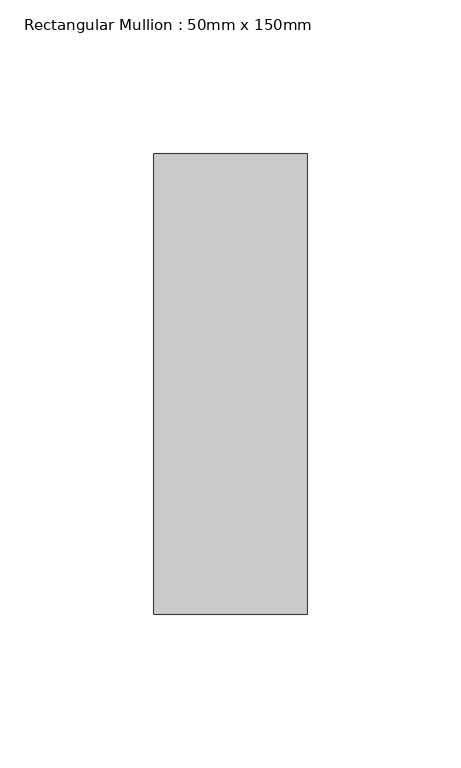
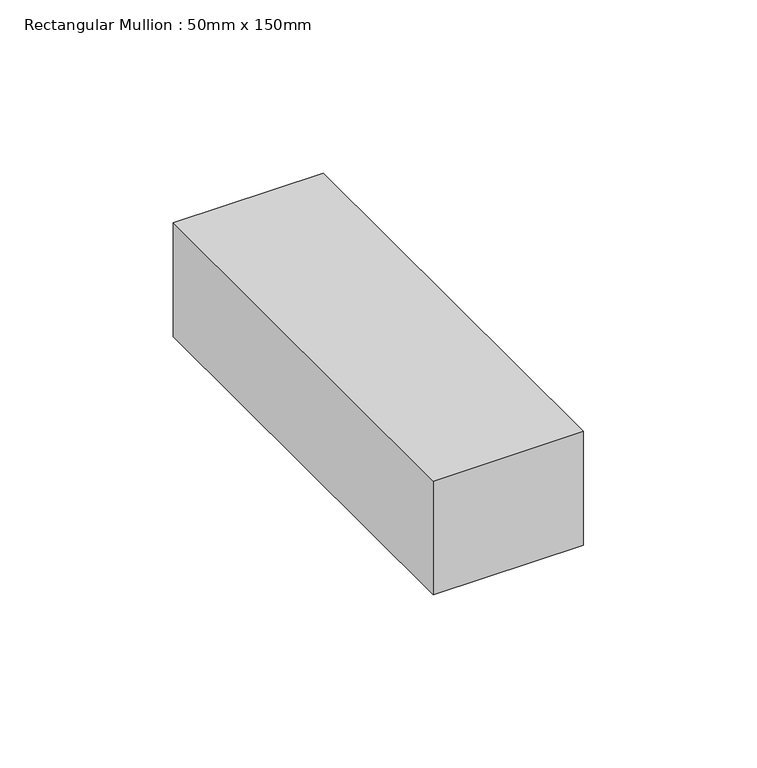
"""IFC4 building model written with IfcOpenShell, lengths in millimetres: member geometry, Rectangular Mullion : 50mm x 150mm."""

from ifc_helpers import new_model, si_unit, frame, origin, place, context, project, spatial, polyline, outline, extrude, source, transform, mapped, element, save


def rectangular_mullion_50mm_x_150mm_b03f34d7(model_context):
    return source(origin(), model_context, "Body", "SweptSolid", [
        extrude(outline(polyline([(0.0, 75.0), (0.0, -75.0), (-50.0, -75.0), (-50.0, 75.0), (0.0, 75.0)])), frame((0.0, 0.0, -40.0), z_axis=(0.0, 0.0, 1.0), x_axis=(1.0, 0.0, 0.0)), (0.0, 0.0, 1.0), 40.0),
    ])


if __name__ == "__main__":
    model = new_model("IFC4")
    model_context = context("Model", 3, world=origin())
    ifc_project = project(units=[si_unit("LENGTHUNIT", "METRE", prefix="MILLI")], contexts=[model_context])
    site = spatial("IfcSite", under=ifc_project)
    building = spatial("IfcBuilding", under=site)
    placement = place(None, origin())
    rectangular_mullion_50mm_x_150mm_shape = rectangular_mullion_50mm_x_150mm_b03f34d7(model_context)
    element("IfcMember", 1, ObjectType="Rectangular Mullion : 50mm x 150mm", at=placement, inside=building, context=model_context, shape_type="MappedRepresentation", body=[
        mapped(rectangular_mullion_50mm_x_150mm_shape, transform((0.0, 0.0, 0.0), x_axis=(1.0, 0.0, 0.0), y_axis=(0.0, 1.0, 0.0), z_axis=(0.0, 0.0, 1.0))),
    ])
    save(model, "model.ifc")
